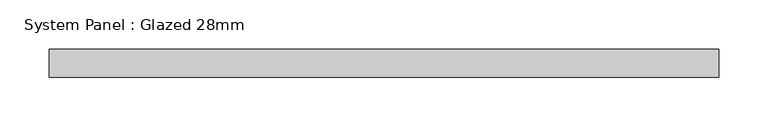
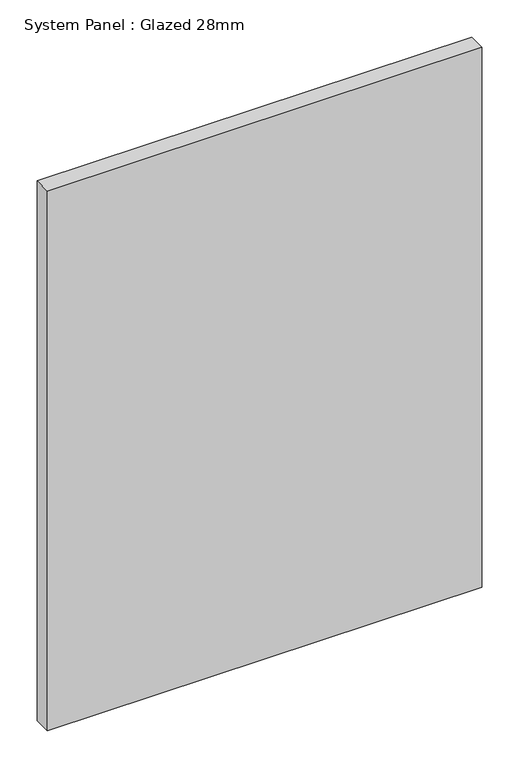
"""IFC4 building model written with IfcOpenShell, lengths in millimetres: plate geometry, System Panel : Glazed 28mm."""

import ifcopenshell
import ifcopenshell.guid

model = None  # the IFC model being written
_history = None  # IfcOwnerHistory: only IFC2X3 demands one
_inside = {}  # id of a spatial element -> (the spatial element, [elements in it])
_under = {}  # id of a project, library or spatial element -> (it, [spatial elements below it])
_declared = {}  # id of a project -> (the project, [libraries it declares])
_typed = {}  # id of a type object -> (the type object, [elements of that type])
_made_of = {}  # id of a material, layer set ... -> (it, [elements and type objects made of it])


def new_model(schema):
    """Start an empty IFC model of exactly this schema.

    Asked for "IFC4X3", IfcOpenShell would pick the latest addendum, in which some entities
    have other attributes; the version numbers below select the first issue.
    IFC2X3 requires an IfcOwnerHistory on every rooted entity: one is made here for all.
    """
    global model, _history
    if schema == "IFC4X3":
        model = ifcopenshell.file(schema_version=(4, 3, 0, 0))
    else:
        model = ifcopenshell.file(schema=schema)
    _inside.clear()
    _under.clear()
    _declared.clear()
    _typed.clear()
    _made_of.clear()
    _history = None
    if model.schema == "IFC2X3":
        org = make("IfcOrganization", Name="unknown")
        user = make(
            "IfcPersonAndOrganization",
            ThePerson=make("IfcPerson", FamilyName="unknown"),
            TheOrganization=org,
        )
        app = make(
            "IfcApplication",
            ApplicationDeveloper=org,
            Version="unknown",
            ApplicationFullName="unknown",
            ApplicationIdentifier="unknown",
        )
        _history = make(
            "IfcOwnerHistory",
            OwningUser=user,
            OwningApplication=app,
            ChangeAction="ADDED",
            CreationDate=0,
        )
    return model


def make(cls, **values):
    """One entity of the class cls with the attributes given. An attribute that is None is left unset."""
    return model.create_entity(
        cls, **{name: value for name, value in values.items() if value is not None}
    )


def rooted(cls, **values):
    """An entity with a GlobalId (a new one), such as an element, a storey or a relation."""
    return make(cls, GlobalId=ifcopenshell.guid.new(), OwnerHistory=_history, **values)


def si_unit(unit_type, name, prefix=None):
    """IfcSIUnit, for example si_unit("LENGTHUNIT", "METRE", prefix="MILLI")."""
    return make("IfcSIUnit", UnitType=unit_type, Prefix=prefix, Name=name)


def assignment(units):
    """IfcUnitAssignment: the units of a project."""
    return None if units is None else make("IfcUnitAssignment", Units=units)


def point(xyz):
    """IfcCartesianPoint."""
    return None if xyz is None else make("IfcCartesianPoint", Coordinates=xyz)


def direction(xyz):
    """IfcDirection."""
    return None if xyz is None else make("IfcDirection", DirectionRatios=xyz)


def frame(location, z_axis=None, x_axis=None):
    """IfcAxis2Placement3D, a coordinate frame: its origin and axes. An axis left out is left unset."""
    return make(
        "IfcAxis2Placement3D",
        Location=point(location),
        Axis=direction(z_axis),
        RefDirection=direction(x_axis),
    )


def origin():
    """The frame at (0, 0, 0) with its axes left unset."""
    return frame((0.0, 0.0, 0.0))


def origin_with_axes():
    """The frame at (0, 0, 0) with the z axis (0, 0, 1) and the x axis (1, 0, 0) written out."""
    return frame((0.0, 0.0, 0.0), z_axis=(0.0, 0.0, 1.0), x_axis=(1.0, 0.0, 0.0))


def place(relative_to, where):
    """IfcLocalPlacement: puts the frame where relative to a parent placement (None: the world)."""
    return make(
        "IfcLocalPlacement", PlacementRelTo=relative_to, RelativePlacement=where
    )


def context(
    kind, dimensions, precision=None, world=None, true_north=None, identifier=None
):
    """IfcGeometricRepresentationContext, for example the 3D "Model" context."""
    return make(
        "IfcGeometricRepresentationContext",
        ContextIdentifier=identifier,
        ContextType=kind,
        CoordinateSpaceDimension=dimensions,
        Precision=precision,
        WorldCoordinateSystem=world,
        TrueNorth=true_north,
    )


def project(units=None, contexts=None):
    """IfcProject with its units and contexts."""
    return rooted(
        "IfcProject",
        Name="project",
        RepresentationContexts=contexts,
        UnitsInContext=assignment(units),
    )


def spatial(cls, under=None, at=None, **own):
    """A site, building, storey or space (cls), placed at a placement, below another one or the project."""
    s = rooted(cls, ObjectPlacement=at, **own)
    if under is not None:
        _under.setdefault(under.id(), (under, []))[1].append(s)
    return s


def polyline(points):
    """IfcPolyline through the points."""
    return make("IfcPolyline", Points=[point(p) for p in points])


def outline(outer, holes=None, kind="AREA"):
    """IfcArbitraryClosedProfileDef: a profile drawn as a closed curve; with holes, ...WithVoids."""
    if holes is None:
        return make("IfcArbitraryClosedProfileDef", ProfileType=kind, OuterCurve=outer)
    return make(
        "IfcArbitraryProfileDefWithVoids",
        ProfileType=kind,
        OuterCurve=outer,
        InnerCurves=holes,
    )


def extrude(swept, where, along, depth):
    """IfcExtrudedAreaSolid: the profile swept, set in the frame where, extruded along a direction by depth."""
    return make(
        "IfcExtrudedAreaSolid",
        SweptArea=swept,
        Position=where,
        ExtrudedDirection=direction(along),
        Depth=depth,
    )


def shape(context_of_items, identifier, shape_type, items):
    """IfcShapeRepresentation: the items that make up one representation, for example the "Body"."""
    return make(
        "IfcShapeRepresentation",
        ContextOfItems=context_of_items,
        RepresentationIdentifier=identifier,
        RepresentationType=shape_type,
        Items=items,
    )


def source(mapping_origin, context_of_items, identifier, shape_type, items):
    """IfcRepresentationMap: a shape defined once, which mapped items show again and again."""
    return make(
        "IfcRepresentationMap",
        MappingOrigin=mapping_origin,
        MappedRepresentation=shape(context_of_items, identifier, shape_type, items),
    )


def transform(
    local_origin,
    x_axis=None,
    y_axis=None,
    z_axis=None,
    scale=None,
    scale2=None,
    scale3=None,
    uniform=True,
):
    """IfcCartesianTransformationOperator3D, or its non-uniform kind. x_axis, y_axis, z_axis: its Axis1, 2, 3."""
    if uniform:
        return make(
            "IfcCartesianTransformationOperator3D",
            Axis1=direction(x_axis),
            Axis2=direction(y_axis),
            LocalOrigin=point(local_origin),
            Scale=scale,
            Axis3=direction(z_axis),
        )
    return make(
        "IfcCartesianTransformationOperator3DnonUniform",
        Axis1=direction(x_axis),
        Axis2=direction(y_axis),
        LocalOrigin=point(local_origin),
        Scale=scale,
        Axis3=direction(z_axis),
        Scale2=scale2,
        Scale3=scale3,
    )


def mapped(mapping_source, mapping_target):
    """IfcMappedItem: shows the shape of a source again, moved by a transform."""
    return make(
        "IfcMappedItem", MappingSource=mapping_source, MappingTarget=mapping_target
    )


def made_of(thing, what):
    """Note that an element or type object is made of a material, layer set ...; save() writes the relation."""
    if what is not None:
        _made_of.setdefault(what.id(), (what, []))[1].append(thing)
    return thing


def element(
    cls,
    number,
    at=None,
    inside=None,
    cuts=None,
    type_object=None,
    material=None,
    context=None,
    identifier="Body",
    shape_type=None,
    held_by="IfcProductDefinitionShape",
    body=None,
    shapes=None,
    **own,
):
    """One element of the class cls, such as IfcWall. Its Tag is "e" and its number.

    at: its placement. inside: the storey or other place that contains it. cuts: it is an
    opening in that element (IfcRelVoidsElement). A single representation is given by context,
    identifier, shape_type and body (its items); several are given by shapes. held_by: the class
    of the entity that holds the representations. save() writes the other relations.
    """
    e = rooted(cls, Tag="e%d" % number, ObjectPlacement=at, **own)
    if body is not None:
        shapes = [shape(context, identifier, shape_type, body)]
    if shapes is not None:
        e.Representation = make(held_by, Representations=shapes)
    if inside is not None:
        _inside.setdefault(inside.id(), (inside, []))[1].append(e)
    if cuts is not None:
        rooted(
            "IfcRelVoidsElement", RelatingBuildingElement=cuts, RelatedOpeningElement=e
        )
    if type_object is not None:
        _typed.setdefault(type_object.id(), (type_object, []))[1].append(e)
    return made_of(e, material)


def aggregate(whole, parts):
    """IfcRelAggregates: a whole, such as a stair, and the parts it consists of."""
    return rooted("IfcRelAggregates", RelatingObject=whole, RelatedObjects=parts)


def save(model, path):
    """Write the relations noted so far, then the file.

    IfcRelAggregates (storeys below a building ...), IfcRelContainedInSpatialStructure (elements
    in a storey), IfcRelDefinesByType, IfcRelAssociatesMaterial and IfcRelDeclares: one each for
    every whole, place, type object, material and project.
    """
    for whole, parts in _under.values():
        aggregate(whole, parts)
    for where, things in _inside.values():
        rooted(
            "IfcRelContainedInSpatialStructure",
            RelatedElements=things,
            RelatingStructure=where,
        )
    for kind, things in _typed.values():
        rooted("IfcRelDefinesByType", RelatedObjects=things, RelatingType=kind)
    for what, things in _made_of.values():
        rooted("IfcRelAssociatesMaterial", RelatedObjects=things, RelatingMaterial=what)
    for by, libraries in _declared.values():
        rooted("IfcRelDeclares", RelatingContext=by, RelatedDefinitions=libraries)
    model.write(path)


def system_panel_glazed_28mm_1316af99(model_context):
    return source(origin(), model_context, "Body", "SweptSolid", [
        extrude(outline(polyline([(337.957623, -14.0), (-337.957623, -14.0), (-337.957623, 14.0), (337.957623, 14.0), (337.957623, -14.0)])), origin_with_axes(), (0.0, 0.0, 1.0), 887.6823429),
    ])


if __name__ == "__main__":
    model = new_model("IFC4")
    model_context = context("Model", 3, world=origin())
    ifc_project = project(units=[si_unit("LENGTHUNIT", "METRE", prefix="MILLI")], contexts=[model_context])
    site = spatial("IfcSite", under=ifc_project)
    building = spatial("IfcBuilding", under=site)
    placement = place(None, origin())
    system_panel_glazed_28mm_shape = system_panel_glazed_28mm_1316af99(model_context)
    element("IfcPlate", 1, ObjectType="System Panel : Glazed 28mm", at=placement, inside=building, context=model_context, shape_type="MappedRepresentation", body=[
        mapped(system_panel_glazed_28mm_shape, transform((0.0, 0.0, 0.0), x_axis=(1.0, 0.0, 0.0), y_axis=(0.0, 1.0, 0.0), z_axis=(0.0, 0.0, 1.0))),
    ])
    save(model, "model.ifc")
